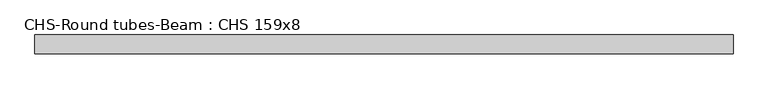
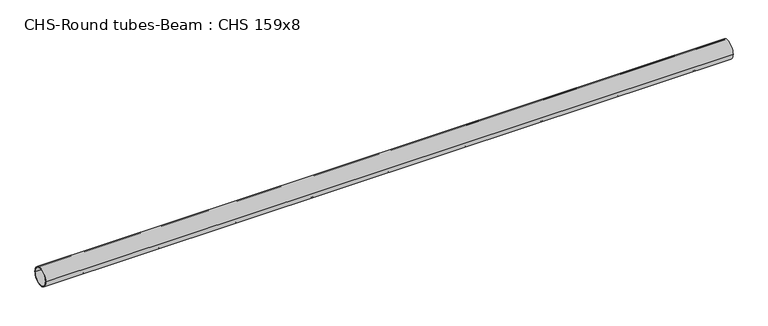
"""IFC4 building model written with IfcOpenShell, lengths in millimetres: beam geometry, CHS-Round tubes-Beam : CHS 159x8."""

import ifcopenshell
import ifcopenshell.guid

model = None  # the IFC model being written
_history = None  # IfcOwnerHistory: only IFC2X3 demands one
_inside = {}  # id of a spatial element -> (the spatial element, [elements in it])
_under = {}  # id of a project, library or spatial element -> (it, [spatial elements below it])
_declared = {}  # id of a project -> (the project, [libraries it declares])
_typed = {}  # id of a type object -> (the type object, [elements of that type])
_made_of = {}  # id of a material, layer set ... -> (it, [elements and type objects made of it])


def new_model(schema):
    """Start an empty IFC model of exactly this schema.

    Asked for "IFC4X3", IfcOpenShell would pick the latest addendum, in which some entities
    have other attributes; the version numbers below select the first issue.
    IFC2X3 requires an IfcOwnerHistory on every rooted entity: one is made here for all.
    """
    global model, _history
    if schema == "IFC4X3":
        model = ifcopenshell.file(schema_version=(4, 3, 0, 0))
    else:
        model = ifcopenshell.file(schema=schema)
    _inside.clear()
    _under.clear()
    _declared.clear()
    _typed.clear()
    _made_of.clear()
    _history = None
    if model.schema == "IFC2X3":
        org = make("IfcOrganization", Name="unknown")
        user = make(
            "IfcPersonAndOrganization",
            ThePerson=make("IfcPerson", FamilyName="unknown"),
            TheOrganization=org,
        )
        app = make(
            "IfcApplication",
            ApplicationDeveloper=org,
            Version="unknown",
            ApplicationFullName="unknown",
            ApplicationIdentifier="unknown",
        )
        _history = make(
            "IfcOwnerHistory",
            OwningUser=user,
            OwningApplication=app,
            ChangeAction="ADDED",
            CreationDate=0,
        )
    return model


def make(cls, **values):
    """One entity of the class cls with the attributes given. An attribute that is None is left unset."""
    return model.create_entity(
        cls, **{name: value for name, value in values.items() if value is not None}
    )


def rooted(cls, **values):
    """An entity with a GlobalId (a new one), such as an element, a storey or a relation."""
    return make(cls, GlobalId=ifcopenshell.guid.new(), OwnerHistory=_history, **values)


def si_unit(unit_type, name, prefix=None):
    """IfcSIUnit, for example si_unit("LENGTHUNIT", "METRE", prefix="MILLI")."""
    return make("IfcSIUnit", UnitType=unit_type, Prefix=prefix, Name=name)


def assignment(units):
    """IfcUnitAssignment: the units of a project."""
    return None if units is None else make("IfcUnitAssignment", Units=units)


def point(xyz):
    """IfcCartesianPoint."""
    return None if xyz is None else make("IfcCartesianPoint", Coordinates=xyz)


def direction(xyz):
    """IfcDirection."""
    return None if xyz is None else make("IfcDirection", DirectionRatios=xyz)


def frame(location, z_axis=None, x_axis=None):
    """IfcAxis2Placement3D, a coordinate frame: its origin and axes. An axis left out is left unset."""
    return make(
        "IfcAxis2Placement3D",
        Location=point(location),
        Axis=direction(z_axis),
        RefDirection=direction(x_axis),
    )


def frame_2d(location, x_axis=None):
    """IfcAxis2Placement2D, a coordinate frame in the plane: its origin and x axis."""
    return make(
        "IfcAxis2Placement2D", Location=point(location), RefDirection=direction(x_axis)
    )


def origin():
    """The frame at (0, 0, 0) with its axes left unset."""
    return frame((0.0, 0.0, 0.0))


def origin_2d():
    """The frame at (0, 0) in the plane with its x axis left unset."""
    return frame_2d((0.0, 0.0))


def place(relative_to, where):
    """IfcLocalPlacement: puts the frame where relative to a parent placement (None: the world)."""
    return make(
        "IfcLocalPlacement", PlacementRelTo=relative_to, RelativePlacement=where
    )


def context(
    kind, dimensions, precision=None, world=None, true_north=None, identifier=None
):
    """IfcGeometricRepresentationContext, for example the 3D "Model" context."""
    return make(
        "IfcGeometricRepresentationContext",
        ContextIdentifier=identifier,
        ContextType=kind,
        CoordinateSpaceDimension=dimensions,
        Precision=precision,
        WorldCoordinateSystem=world,
        TrueNorth=true_north,
    )


def project(units=None, contexts=None):
    """IfcProject with its units and contexts."""
    return rooted(
        "IfcProject",
        Name="project",
        RepresentationContexts=contexts,
        UnitsInContext=assignment(units),
    )


def spatial(cls, under=None, at=None, **own):
    """A site, building, storey or space (cls), placed at a placement, below another one or the project."""
    s = rooted(cls, ObjectPlacement=at, **own)
    if under is not None:
        _under.setdefault(under.id(), (under, []))[1].append(s)
    return s


def circle_curve(where, radius):
    """IfcCircle in the frame where."""
    return make("IfcCircle", Position=where, Radius=radius)


def trimmed(basis, trim1, trim2, sense, master):
    """IfcTrimmedCurve: the piece of a basis curve between two trims."""
    return make(
        "IfcTrimmedCurve",
        BasisCurve=basis,
        Trim1=trim1,
        Trim2=trim2,
        SenseAgreement=sense,
        MasterRepresentation=master,
    )


def segment(curve, same_sense, transition):
    """IfcCompositeCurveSegment."""
    return make(
        "IfcCompositeCurveSegment",
        Transition=transition,
        SameSense=same_sense,
        ParentCurve=curve,
    )


def composite_curve(segments, self_intersect=None):
    """IfcCompositeCurve: segments joined end to end."""
    return make("IfcCompositeCurve", Segments=segments, SelfIntersect=self_intersect)


def outline(outer, holes=None, kind="AREA"):
    """IfcArbitraryClosedProfileDef: a profile drawn as a closed curve; with holes, ...WithVoids."""
    if holes is None:
        return make("IfcArbitraryClosedProfileDef", ProfileType=kind, OuterCurve=outer)
    return make(
        "IfcArbitraryProfileDefWithVoids",
        ProfileType=kind,
        OuterCurve=outer,
        InnerCurves=holes,
    )


def extrude(swept, where, along, depth):
    """IfcExtrudedAreaSolid: the profile swept, set in the frame where, extruded along a direction by depth."""
    return make(
        "IfcExtrudedAreaSolid",
        SweptArea=swept,
        Position=where,
        ExtrudedDirection=direction(along),
        Depth=depth,
    )


def shape(context_of_items, identifier, shape_type, items):
    """IfcShapeRepresentation: the items that make up one representation, for example the "Body"."""
    return make(
        "IfcShapeRepresentation",
        ContextOfItems=context_of_items,
        RepresentationIdentifier=identifier,
        RepresentationType=shape_type,
        Items=items,
    )


def source(mapping_origin, context_of_items, identifier, shape_type, items):
    """IfcRepresentationMap: a shape defined once, which mapped items show again and again."""
    return make(
        "IfcRepresentationMap",
        MappingOrigin=mapping_origin,
        MappedRepresentation=shape(context_of_items, identifier, shape_type, items),
    )


def transform(
    local_origin,
    x_axis=None,
    y_axis=None,
    z_axis=None,
    scale=None,
    scale2=None,
    scale3=None,
    uniform=True,
):
    """IfcCartesianTransformationOperator3D, or its non-uniform kind. x_axis, y_axis, z_axis: its Axis1, 2, 3."""
    if uniform:
        return make(
            "IfcCartesianTransformationOperator3D",
            Axis1=direction(x_axis),
            Axis2=direction(y_axis),
            LocalOrigin=point(local_origin),
            Scale=scale,
            Axis3=direction(z_axis),
        )
    return make(
        "IfcCartesianTransformationOperator3DnonUniform",
        Axis1=direction(x_axis),
        Axis2=direction(y_axis),
        LocalOrigin=point(local_origin),
        Scale=scale,
        Axis3=direction(z_axis),
        Scale2=scale2,
        Scale3=scale3,
    )


def mapped(mapping_source, mapping_target):
    """IfcMappedItem: shows the shape of a source again, moved by a transform."""
    return make(
        "IfcMappedItem", MappingSource=mapping_source, MappingTarget=mapping_target
    )


def made_of(thing, what):
    """Note that an element or type object is made of a material, layer set ...; save() writes the relation."""
    if what is not None:
        _made_of.setdefault(what.id(), (what, []))[1].append(thing)
    return thing


def element(
    cls,
    number,
    at=None,
    inside=None,
    cuts=None,
    type_object=None,
    material=None,
    context=None,
    identifier="Body",
    shape_type=None,
    held_by="IfcProductDefinitionShape",
    body=None,
    shapes=None,
    **own,
):
    """One element of the class cls, such as IfcWall. Its Tag is "e" and its number.

    at: its placement. inside: the storey or other place that contains it. cuts: it is an
    opening in that element (IfcRelVoidsElement). A single representation is given by context,
    identifier, shape_type and body (its items); several are given by shapes. held_by: the class
    of the entity that holds the representations. save() writes the other relations.
    """
    e = rooted(cls, Tag="e%d" % number, ObjectPlacement=at, **own)
    if body is not None:
        shapes = [shape(context, identifier, shape_type, body)]
    if shapes is not None:
        e.Representation = make(held_by, Representations=shapes)
    if inside is not None:
        _inside.setdefault(inside.id(), (inside, []))[1].append(e)
    if cuts is not None:
        rooted(
            "IfcRelVoidsElement", RelatingBuildingElement=cuts, RelatedOpeningElement=e
        )
    if type_object is not None:
        _typed.setdefault(type_object.id(), (type_object, []))[1].append(e)
    return made_of(e, material)


def aggregate(whole, parts):
    """IfcRelAggregates: a whole, such as a stair, and the parts it consists of."""
    return rooted("IfcRelAggregates", RelatingObject=whole, RelatedObjects=parts)


def save(model, path):
    """Write the relations noted so far, then the file.

    IfcRelAggregates (storeys below a building ...), IfcRelContainedInSpatialStructure (elements
    in a storey), IfcRelDefinesByType, IfcRelAssociatesMaterial and IfcRelDeclares: one each for
    every whole, place, type object, material and project.
    """
    for whole, parts in _under.values():
        aggregate(whole, parts)
    for where, things in _inside.values():
        rooted(
            "IfcRelContainedInSpatialStructure",
            RelatedElements=things,
            RelatingStructure=where,
        )
    for kind, things in _typed.values():
        rooted("IfcRelDefinesByType", RelatedObjects=things, RelatingType=kind)
    for what, things in _made_of.values():
        rooted("IfcRelAssociatesMaterial", RelatedObjects=things, RelatingMaterial=what)
    for by, libraries in _declared.values():
        rooted("IfcRelDeclares", RelatingContext=by, RelatedDefinitions=libraries)
    model.write(path)


def chs_round_tubes_beam_chs_159x8_6fcaadae(model_context):
    return source(origin(), model_context, "Body", "SweptSolid", [
        extrude(outline(composite_curve([segment(trimmed(circle_curve(origin_2d(), 79.5), [point((79.5, 0.0))], [point((-79.5, 0.0))], False, "CARTESIAN"), True, "CONTINUOUS"), segment(trimmed(circle_curve(origin_2d(), 79.5), [point((-79.5, 0.0))], [point((79.5, 0.0))], False, "CARTESIAN"), True, "CONTINUOUS")], self_intersect=False), holes=[composite_curve([segment(trimmed(circle_curve(origin_2d(), 71.5), [point((71.5, 0.0))], [point((-71.5, 0.0))], True, "CARTESIAN"), True, "CONTINUOUS"), segment(trimmed(circle_curve(origin_2d(), 71.5), [point((-71.5, 0.0))], [point((71.5, 0.0))], True, "CARTESIAN"), True, "CONTINUOUS")], self_intersect=False)]), frame((-2941.5107366, 0.0, 0.0), z_axis=(1.0, 0.0, 0.0), x_axis=(0.0, 1.0, 0.0)), (0.0, 0.0, 1.0), 5883.0214732),
    ])


if __name__ == "__main__":
    model = new_model("IFC4")
    model_context = context("Model", 3, world=origin())
    ifc_project = project(units=[si_unit("LENGTHUNIT", "METRE", prefix="MILLI")], contexts=[model_context])
    site = spatial("IfcSite", under=ifc_project)
    building = spatial("IfcBuilding", under=site)
    placement = place(None, origin())
    chs_round_tubes_beam_chs_159x8_shape = chs_round_tubes_beam_chs_159x8_6fcaadae(model_context)
    element("IfcBeam", 1, ObjectType="CHS-Round tubes-Beam : CHS 159x8", at=placement, inside=building, context=model_context, shape_type="MappedRepresentation", body=[
        mapped(chs_round_tubes_beam_chs_159x8_shape, transform((0.0, 0.0, 0.0), x_axis=(1.0, 0.0, 0.0), y_axis=(0.0, 1.0, 0.0), z_axis=(0.0, 0.0, 1.0))),
    ])
    save(model, "model.ifc")
